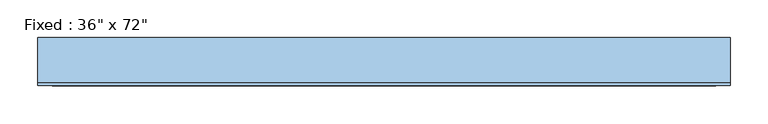
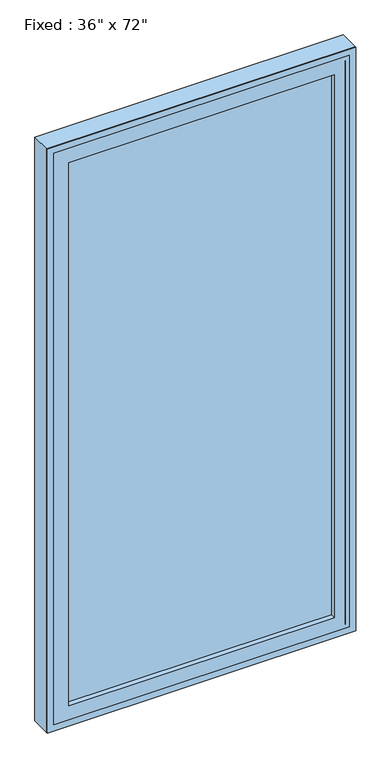
"""IFC4 building model written with IfcOpenShell, lengths in millimetres: window geometry."""

from ifc_helpers import new_model, si_unit, frame, origin, place, context, project, spatial, polyline, outline, extrude, source, transform, mapped, element, save


def window_3f68814d(model_context):
    return source(origin(), model_context, "Body", "SweptSolid", [
        extrude(outline(polyline([(355.6, -17.625), (-431.8, -17.625), (-431.8, -4.925), (355.6, -4.925), (355.6, -17.625)])), frame((0.0, 0.0, 368.3), z_axis=(0.0, 0.0, 1.0), x_axis=(1.0, 0.0, 0.0)), (0.0, 0.0, 1.0), 1701.8),
        extrude(outline(polyline([(2114.55, -476.25), (323.85, -476.25), (323.85, 400.05), (2114.55, 400.05), (2114.55, -476.25)]), holes=[polyline([(2070.1, -431.8), (2070.1, 355.6), (368.3, 355.6), (368.3, -431.8), (2070.1, -431.8)])]), frame((0.0, -33.5, 0.0), z_axis=(0.0, 1.0, 0.0), x_axis=(0.0, 0.0, 1.0)), (0.0, 0.0, 1.0), 44.45),
        extrude(outline(polyline([(2133.6, -495.3), (304.8, -495.3), (304.8, 419.1), (2133.6, 419.1), (2133.6, -495.3)]), holes=[polyline([(2101.85, -463.55), (2101.85, 387.35), (336.55, 387.35), (336.55, -463.55), (2101.85, -463.55)])]), frame((0.0, -33.5, 0.0), z_axis=(0.0, 1.0, 0.0), x_axis=(0.0, 0.0, 1.0)), (0.0, 0.0, 1.0), 3.5),
        extrude(outline(polyline([(2133.6, 419.1), (2133.6, -495.3), (304.8, -495.3), (304.8, 419.1), (2133.6, 419.1)]), holes=[polyline([(2114.55, 400.05), (323.85, 400.05), (323.85, -476.25), (2114.55, -476.25), (2114.55, 400.05)])]), frame((0.0, -33.5, 0.0), z_axis=(0.0, 1.0, 0.0), x_axis=(0.0, 0.0, 1.0)), (0.0, 0.0, 1.0), 63.5),
    ])


if __name__ == "__main__":
    model = new_model("IFC4")
    model_context = context("Model", 3, world=origin())
    ifc_project = project(units=[si_unit("LENGTHUNIT", "METRE", prefix="MILLI")], contexts=[model_context])
    site = spatial("IfcSite", under=ifc_project)
    building = spatial("IfcBuilding", under=site)
    placement = place(None, origin())
    window_shape = window_3f68814d(model_context)
    element("IfcWindow", 1, ObjectType="Fixed : 36\" x 72\"", at=placement, inside=building, context=model_context, shape_type="MappedRepresentation", body=[
        mapped(window_shape, transform((0.0, 0.0, 0.0), x_axis=(1.0, 0.0, 0.0), y_axis=(0.0, 1.0, 0.0), z_axis=(0.0, 0.0, 1.0))),
    ])
    save(model, "model.ifc")
